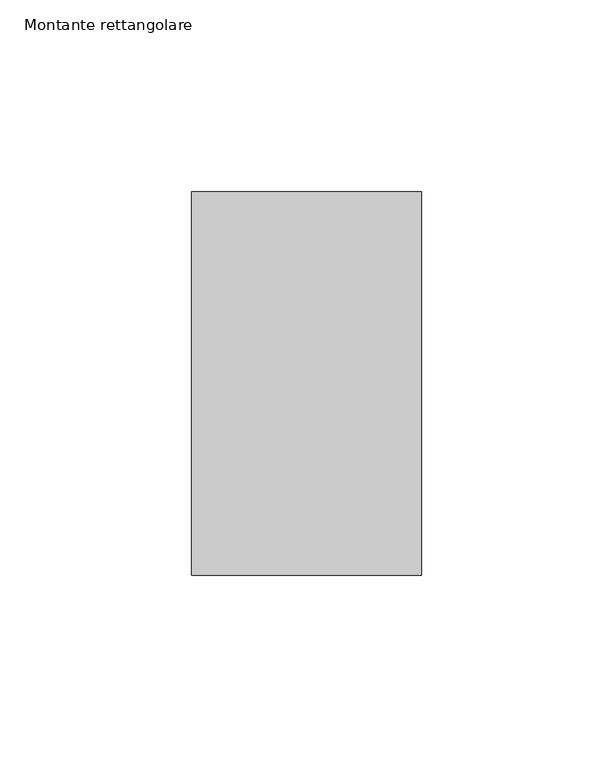
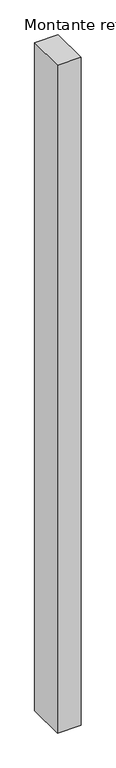
"""IFC4 building model written with IfcOpenShell, lengths in millimetres: member geometry, Montante rettangolare."""

import ifcopenshell
import ifcopenshell.guid

model = None  # the IFC model being written
_history = None  # IfcOwnerHistory: only IFC2X3 demands one
_inside = {}  # id of a spatial element -> (the spatial element, [elements in it])
_under = {}  # id of a project, library or spatial element -> (it, [spatial elements below it])
_declared = {}  # id of a project -> (the project, [libraries it declares])
_typed = {}  # id of a type object -> (the type object, [elements of that type])
_made_of = {}  # id of a material, layer set ... -> (it, [elements and type objects made of it])


def new_model(schema):
    """Start an empty IFC model of exactly this schema.

    Asked for "IFC4X3", IfcOpenShell would pick the latest addendum, in which some entities
    have other attributes; the version numbers below select the first issue.
    IFC2X3 requires an IfcOwnerHistory on every rooted entity: one is made here for all.
    """
    global model, _history
    if schema == "IFC4X3":
        model = ifcopenshell.file(schema_version=(4, 3, 0, 0))
    else:
        model = ifcopenshell.file(schema=schema)
    _inside.clear()
    _under.clear()
    _declared.clear()
    _typed.clear()
    _made_of.clear()
    _history = None
    if model.schema == "IFC2X3":
        org = make("IfcOrganization", Name="unknown")
        user = make(
            "IfcPersonAndOrganization",
            ThePerson=make("IfcPerson", FamilyName="unknown"),
            TheOrganization=org,
        )
        app = make(
            "IfcApplication",
            ApplicationDeveloper=org,
            Version="unknown",
            ApplicationFullName="unknown",
            ApplicationIdentifier="unknown",
        )
        _history = make(
            "IfcOwnerHistory",
            OwningUser=user,
            OwningApplication=app,
            ChangeAction="ADDED",
            CreationDate=0,
        )
    return model


def make(cls, **values):
    """One entity of the class cls with the attributes given. An attribute that is None is left unset."""
    return model.create_entity(
        cls, **{name: value for name, value in values.items() if value is not None}
    )


def rooted(cls, **values):
    """An entity with a GlobalId (a new one), such as an element, a storey or a relation."""
    return make(cls, GlobalId=ifcopenshell.guid.new(), OwnerHistory=_history, **values)


def si_unit(unit_type, name, prefix=None):
    """IfcSIUnit, for example si_unit("LENGTHUNIT", "METRE", prefix="MILLI")."""
    return make("IfcSIUnit", UnitType=unit_type, Prefix=prefix, Name=name)


def assignment(units):
    """IfcUnitAssignment: the units of a project."""
    return None if units is None else make("IfcUnitAssignment", Units=units)


def point(xyz):
    """IfcCartesianPoint."""
    return None if xyz is None else make("IfcCartesianPoint", Coordinates=xyz)


def direction(xyz):
    """IfcDirection."""
    return None if xyz is None else make("IfcDirection", DirectionRatios=xyz)


def frame(location, z_axis=None, x_axis=None):
    """IfcAxis2Placement3D, a coordinate frame: its origin and axes. An axis left out is left unset."""
    return make(
        "IfcAxis2Placement3D",
        Location=point(location),
        Axis=direction(z_axis),
        RefDirection=direction(x_axis),
    )


def origin():
    """The frame at (0, 0, 0) with its axes left unset."""
    return frame((0.0, 0.0, 0.0))


def place(relative_to, where):
    """IfcLocalPlacement: puts the frame where relative to a parent placement (None: the world)."""
    return make(
        "IfcLocalPlacement", PlacementRelTo=relative_to, RelativePlacement=where
    )


def context(
    kind, dimensions, precision=None, world=None, true_north=None, identifier=None
):
    """IfcGeometricRepresentationContext, for example the 3D "Model" context."""
    return make(
        "IfcGeometricRepresentationContext",
        ContextIdentifier=identifier,
        ContextType=kind,
        CoordinateSpaceDimension=dimensions,
        Precision=precision,
        WorldCoordinateSystem=world,
        TrueNorth=true_north,
    )


def project(units=None, contexts=None):
    """IfcProject with its units and contexts."""
    return rooted(
        "IfcProject",
        Name="project",
        RepresentationContexts=contexts,
        UnitsInContext=assignment(units),
    )


def spatial(cls, under=None, at=None, **own):
    """A site, building, storey or space (cls), placed at a placement, below another one or the project."""
    s = rooted(cls, ObjectPlacement=at, **own)
    if under is not None:
        _under.setdefault(under.id(), (under, []))[1].append(s)
    return s


def polyline(points):
    """IfcPolyline through the points."""
    return make("IfcPolyline", Points=[point(p) for p in points])


def outline(outer, holes=None, kind="AREA"):
    """IfcArbitraryClosedProfileDef: a profile drawn as a closed curve; with holes, ...WithVoids."""
    if holes is None:
        return make("IfcArbitraryClosedProfileDef", ProfileType=kind, OuterCurve=outer)
    return make(
        "IfcArbitraryProfileDefWithVoids",
        ProfileType=kind,
        OuterCurve=outer,
        InnerCurves=holes,
    )


def extrude(swept, where, along, depth):
    """IfcExtrudedAreaSolid: the profile swept, set in the frame where, extruded along a direction by depth."""
    return make(
        "IfcExtrudedAreaSolid",
        SweptArea=swept,
        Position=where,
        ExtrudedDirection=direction(along),
        Depth=depth,
    )


def shape(context_of_items, identifier, shape_type, items):
    """IfcShapeRepresentation: the items that make up one representation, for example the "Body"."""
    return make(
        "IfcShapeRepresentation",
        ContextOfItems=context_of_items,
        RepresentationIdentifier=identifier,
        RepresentationType=shape_type,
        Items=items,
    )


def source(mapping_origin, context_of_items, identifier, shape_type, items):
    """IfcRepresentationMap: a shape defined once, which mapped items show again and again."""
    return make(
        "IfcRepresentationMap",
        MappingOrigin=mapping_origin,
        MappedRepresentation=shape(context_of_items, identifier, shape_type, items),
    )


def transform(
    local_origin,
    x_axis=None,
    y_axis=None,
    z_axis=None,
    scale=None,
    scale2=None,
    scale3=None,
    uniform=True,
):
    """IfcCartesianTransformationOperator3D, or its non-uniform kind. x_axis, y_axis, z_axis: its Axis1, 2, 3."""
    if uniform:
        return make(
            "IfcCartesianTransformationOperator3D",
            Axis1=direction(x_axis),
            Axis2=direction(y_axis),
            LocalOrigin=point(local_origin),
            Scale=scale,
            Axis3=direction(z_axis),
        )
    return make(
        "IfcCartesianTransformationOperator3DnonUniform",
        Axis1=direction(x_axis),
        Axis2=direction(y_axis),
        LocalOrigin=point(local_origin),
        Scale=scale,
        Axis3=direction(z_axis),
        Scale2=scale2,
        Scale3=scale3,
    )


def mapped(mapping_source, mapping_target):
    """IfcMappedItem: shows the shape of a source again, moved by a transform."""
    return make(
        "IfcMappedItem", MappingSource=mapping_source, MappingTarget=mapping_target
    )


def made_of(thing, what):
    """Note that an element or type object is made of a material, layer set ...; save() writes the relation."""
    if what is not None:
        _made_of.setdefault(what.id(), (what, []))[1].append(thing)
    return thing


def element(
    cls,
    number,
    at=None,
    inside=None,
    cuts=None,
    type_object=None,
    material=None,
    context=None,
    identifier="Body",
    shape_type=None,
    held_by="IfcProductDefinitionShape",
    body=None,
    shapes=None,
    **own,
):
    """One element of the class cls, such as IfcWall. Its Tag is "e" and its number.

    at: its placement. inside: the storey or other place that contains it. cuts: it is an
    opening in that element (IfcRelVoidsElement). A single representation is given by context,
    identifier, shape_type and body (its items); several are given by shapes. held_by: the class
    of the entity that holds the representations. save() writes the other relations.
    """
    e = rooted(cls, Tag="e%d" % number, ObjectPlacement=at, **own)
    if body is not None:
        shapes = [shape(context, identifier, shape_type, body)]
    if shapes is not None:
        e.Representation = make(held_by, Representations=shapes)
    if inside is not None:
        _inside.setdefault(inside.id(), (inside, []))[1].append(e)
    if cuts is not None:
        rooted(
            "IfcRelVoidsElement", RelatingBuildingElement=cuts, RelatedOpeningElement=e
        )
    if type_object is not None:
        _typed.setdefault(type_object.id(), (type_object, []))[1].append(e)
    return made_of(e, material)


def aggregate(whole, parts):
    """IfcRelAggregates: a whole, such as a stair, and the parts it consists of."""
    return rooted("IfcRelAggregates", RelatingObject=whole, RelatedObjects=parts)


def save(model, path):
    """Write the relations noted so far, then the file.

    IfcRelAggregates (storeys below a building ...), IfcRelContainedInSpatialStructure (elements
    in a storey), IfcRelDefinesByType, IfcRelAssociatesMaterial and IfcRelDeclares: one each for
    every whole, place, type object, material and project.
    """
    for whole, parts in _under.values():
        aggregate(whole, parts)
    for where, things in _inside.values():
        rooted(
            "IfcRelContainedInSpatialStructure",
            RelatedElements=things,
            RelatingStructure=where,
        )
    for kind, things in _typed.values():
        rooted("IfcRelDefinesByType", RelatedObjects=things, RelatingType=kind)
    for what, things in _made_of.values():
        rooted("IfcRelAssociatesMaterial", RelatedObjects=things, RelatingMaterial=what)
    for by, libraries in _declared.values():
        rooted("IfcRelDeclares", RelatingContext=by, RelatedDefinitions=libraries)
    model.write(path)


def montante_rettangolare_d7ea98a7(model_context):
    return source(origin(), model_context, "Body", "SweptSolid", [
        extrude(outline(polyline([(0.0, 50.0), (0.0, -50.0), (-60.0, -50.0), (-60.0, 50.0), (0.0, 50.0)])), frame((0.0, 0.0, -1798.5079053), z_axis=(0.0, 0.0, 1.0), x_axis=(1.0, 0.0, 0.0)), (0.0, 0.0, 1.0), 1798.5079053),
    ])


if __name__ == "__main__":
    model = new_model("IFC4")
    model_context = context("Model", 3, world=origin())
    ifc_project = project(units=[si_unit("LENGTHUNIT", "METRE", prefix="MILLI")], contexts=[model_context])
    site = spatial("IfcSite", under=ifc_project)
    building = spatial("IfcBuilding", under=site)
    placement = place(None, origin())
    montante_rettangolare_shape = montante_rettangolare_d7ea98a7(model_context)
    element("IfcMember", 1, ObjectType="Montante rettangolare", at=placement, inside=building, context=model_context, shape_type="MappedRepresentation", body=[
        mapped(montante_rettangolare_shape, transform((0.0, 0.0, 0.0), x_axis=(1.0, 0.0, 0.0), y_axis=(0.0, 1.0, 0.0), z_axis=(0.0, 0.0, 1.0))),
    ])
    save(model, "model.ifc")
